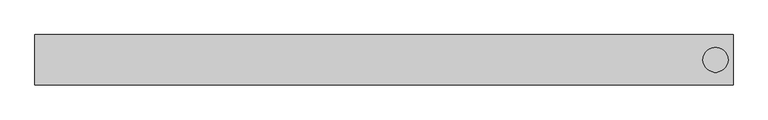
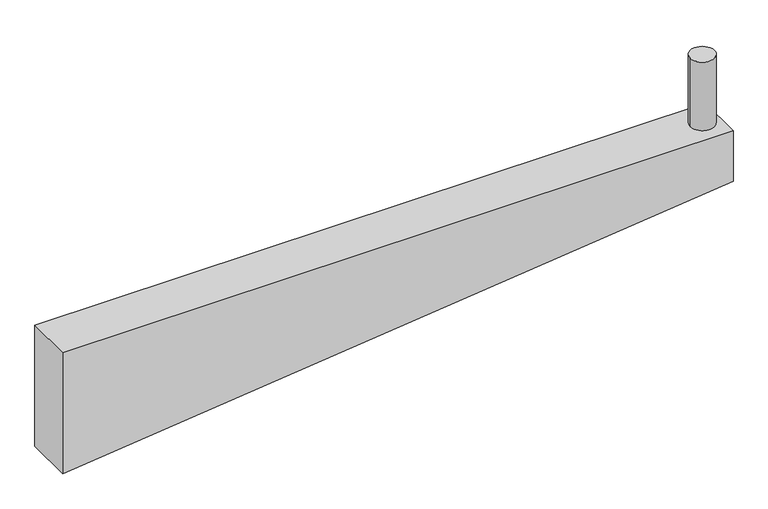
"""IFC4 building model written with IfcOpenShell, lengths in millimetres: beam geometry."""

from ifc_helpers import new_model, si_unit, point, frame, frame_2d, origin, origin_with_axes, place, context, project, spatial, polyline, circle_curve, trimmed, segment, composite_curve, outline, extrude, source, transform, mapped, element, save


def beam_76de39a1(model_context):
    return source(origin(), model_context, "Body", "SweptSolid", [
        extrude(outline(composite_curve([segment(trimmed(circle_curve(frame_2d((1320.0, 0.0)), 50.0), [point((1270.0, 0.0))], [point((1370.0, 0.0))], False, "CARTESIAN"), True, "CONTINUOUS"), segment(trimmed(circle_curve(frame_2d((1320.0, 0.0)), 50.0), [point((1370.0, 0.0))], [point((1270.0, 0.0))], False, "CARTESIAN"), True, "CONTINUOUS")], self_intersect=False)), origin_with_axes(), (0.0, 0.0, 1.0), 300.0),
        extrude(outline(polyline([(-220.0, 1390.0), (0.0, 1390.0), (0.0, -1390.0), (-530.0, -1390.0), (-220.0, 1390.0)])), frame((0.0, -100.0, 0.0), z_axis=(0.0, 1.0, 0.0), x_axis=(0.0, 0.0, 1.0)), (0.0, 0.0, 1.0), 200.0),
    ])


if __name__ == "__main__":
    model = new_model("IFC4")
    model_context = context("Model", 3, world=origin())
    ifc_project = project(units=[si_unit("LENGTHUNIT", "METRE", prefix="MILLI")], contexts=[model_context])
    site = spatial("IfcSite", under=ifc_project)
    building = spatial("IfcBuilding", under=site)
    placement = place(None, origin())
    beam_shape = beam_76de39a1(model_context)
    element("IfcBeam", 1, at=placement, inside=building, context=model_context, shape_type="MappedRepresentation", body=[
        mapped(beam_shape, transform((0.0, 0.0, 0.0), x_axis=(1.0, 0.0, 0.0), y_axis=(0.0, 1.0, 0.0), z_axis=(0.0, 0.0, 1.0))),
    ])
    save(model, "model.ifc")
